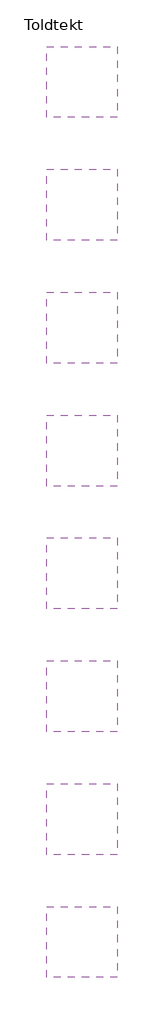
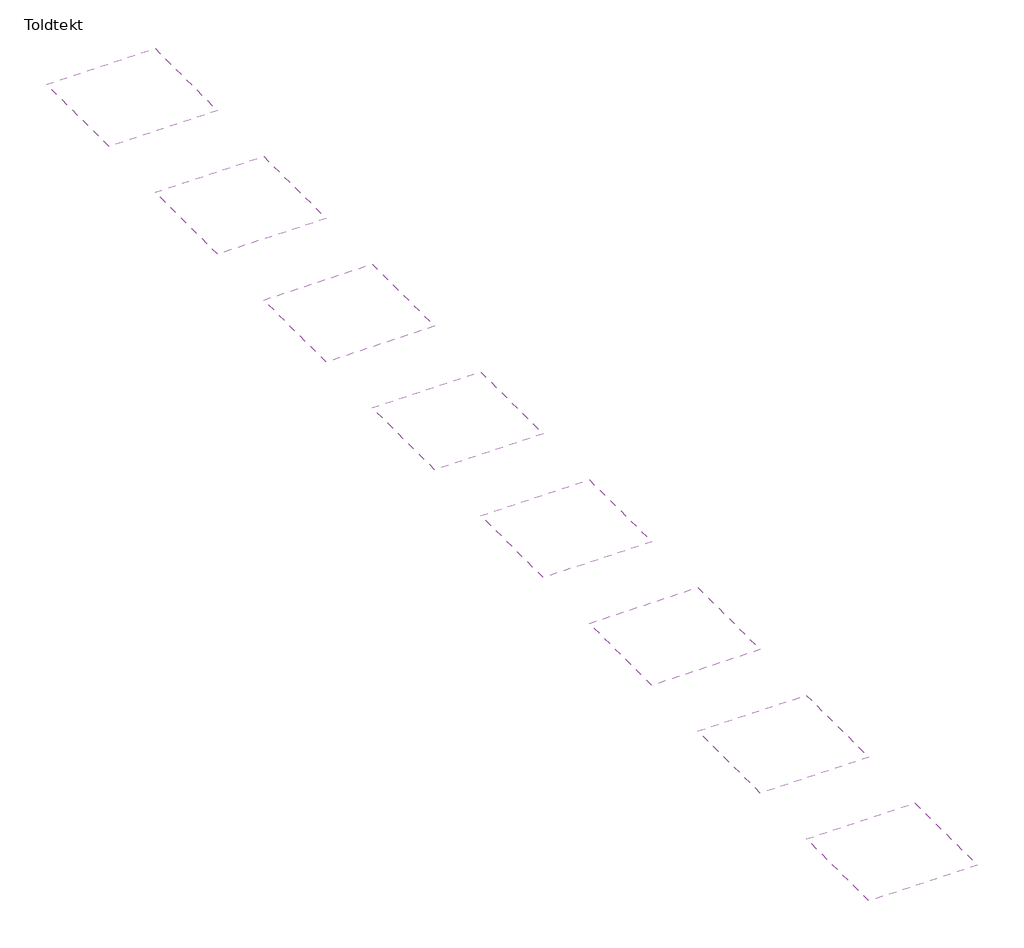
# One storey: 8 coverings.
"""IFC4 building model written with IfcOpenShell, lengths in millimetres."""

from ifc_helpers import new_model, si_unit, frame, origin, place, context, project, spatial, polyline, outline, extrude, element, save

model = new_model("IFC4")

# Units and contexts
model_context = context("Model", 3, world=origin())
ifc_project = project(units=[si_unit("LENGTHUNIT", "METRE", prefix="MILLI")], contexts=[model_context])

# Site, building, storey
site = spatial("IfcSite", under=ifc_project)
building = spatial("IfcBuilding", under=site)
storey = spatial("IfcBuildingStorey", under=building, Name="Toldtekt", Elevation=0.0)

# Coverings
placement = place(None, origin())
element("IfcCovering", 1, ObjectType="Troldtekt_Plus_wood_35+18mm, 600X1200 running bond", at=placement, inside=storey, context=model_context, shape_type="SweptSolid", body=[
    extrude(outline(polyline([(17169.5723108, 24163.0097108), (17169.5723108, 21163.0097108), (14169.5723108, 21163.0097108), (14169.5723108, 24163.0097108), (17169.5723108, 24163.0097108)])), frame((0.0, 0.0, 2600.0), z_axis=(0.0, 0.0, 1.0), x_axis=(1.0, 0.0, 0.0)), (0.0, 0.0, 1.0), 57.0),
])
element("IfcCovering", 2, ObjectType="Troldtekt_Plus_wood_35+18mm, 600X1200 stack bond", at=placement, inside=storey, context=model_context, shape_type="SweptSolid", body=[
    extrude(outline(polyline([(17169.5723108, 18963.021805), (17169.5723108, 15963.021805), (14169.5723108, 15963.021805), (14169.5723108, 18963.021805), (17169.5723108, 18963.021805)])), frame((0.0, 0.0, 2600.0), z_axis=(0.0, 0.0, 1.0), x_axis=(1.0, 0.0, 0.0)), (0.0, 0.0, 1.0), 57.0),
])
element("IfcCovering", 3, ObjectType="Troldtekt_Plus_wood_35+18mm, 600X2000 running bond", at=placement, inside=storey, context=model_context, shape_type="SweptSolid", body=[
    extrude(outline(polyline([(17169.5723108, 13763.0338993), (17169.5723108, 10763.0338993), (14169.5723108, 10763.0338993), (14169.5723108, 13763.0338993), (17169.5723108, 13763.0338993)])), frame((0.0, 0.0, 2600.0), z_axis=(0.0, 0.0, 1.0), x_axis=(1.0, 0.0, 0.0)), (0.0, 0.0, 1.0), 57.0),
])
element("IfcCovering", 4, ObjectType="Troldtekt_Plus_wood_35+18mm, 600X2000 stack bond", at=placement, inside=storey, context=model_context, shape_type="SweptSolid", body=[
    extrude(outline(polyline([(17169.5723108, 8563.0459935), (17169.5723108, 5563.0459935), (14169.5723108, 5563.0459935), (14169.5723108, 8563.0459935), (17169.5723108, 8563.0459935)])), frame((0.0, 0.0, 2600.0), z_axis=(0.0, 0.0, 1.0), x_axis=(1.0, 0.0, 0.0)), (0.0, 0.0, 1.0), 57.0),
])
element("IfcCovering", 5, ObjectType="Troldtekt_Plus_wood_35+18mm, 600X2400 running bond", at=placement, inside=storey, context=model_context, shape_type="SweptSolid", body=[
    extrude(outline(polyline([(17169.5723108, 3363.0580878), (17169.5723108, 363.0580878), (14169.5723108, 363.0580878), (14169.5723108, 3363.0580878), (17169.5723108, 3363.0580878)])), frame((0.0, 0.0, 2600.0), z_axis=(0.0, 0.0, 1.0), x_axis=(1.0, 0.0, 0.0)), (0.0, 0.0, 1.0), 57.0),
])
element("IfcCovering", 6, ObjectType="Troldtekt_Plus_wood_35+18mm, 600X2400 stack bond", at=placement, inside=storey, context=model_context, shape_type="SweptSolid", body=[
    extrude(outline(polyline([(17169.5723108, -1836.929818), (17169.5723108, -4836.929818), (14169.5723108, -4836.929818), (14169.5723108, -1836.929818), (17169.5723108, -1836.929818)])), frame((0.0, 0.0, 2600.0), z_axis=(0.0, 0.0, 1.0), x_axis=(1.0, 0.0, 0.0)), (0.0, 0.0, 1.0), 57.0),
])
element("IfcCovering", 7, ObjectType="Troldtekt_Plus_wood_35+18mm, 600X600 running bond", at=placement, inside=storey, context=model_context, shape_type="SweptSolid", body=[
    extrude(outline(polyline([(17169.5723108, 34562.9855223), (17169.5723108, 31562.9855223), (14169.5723108, 31562.9855223), (14169.5723108, 34562.9855223), (17169.5723108, 34562.9855223)])), frame((0.0, 0.0, 2600.0), z_axis=(0.0, 0.0, 1.0), x_axis=(1.0, 0.0, 0.0)), (0.0, 0.0, 1.0), 57.0),
])
element("IfcCovering", 8, ObjectType="Troldtekt_Plus_wood_35+18mm, 600X600 stack bond", at=placement, inside=storey, context=model_context, shape_type="SweptSolid", body=[
    extrude(outline(polyline([(17169.5723108, 29362.9976165), (17169.5723108, 26362.9976165), (14169.5723108, 26362.9976165), (14169.5723108, 29362.9976165), (17169.5723108, 29362.9976165)])), frame((0.0, 0.0, 2600.0), z_axis=(0.0, 0.0, 1.0), x_axis=(1.0, 0.0, 0.0)), (0.0, 0.0, 1.0), 57.0),
])

save(model, "model.ifc")
